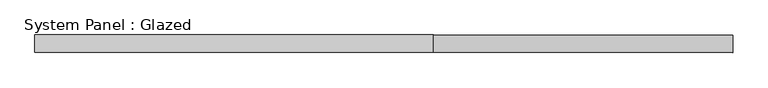
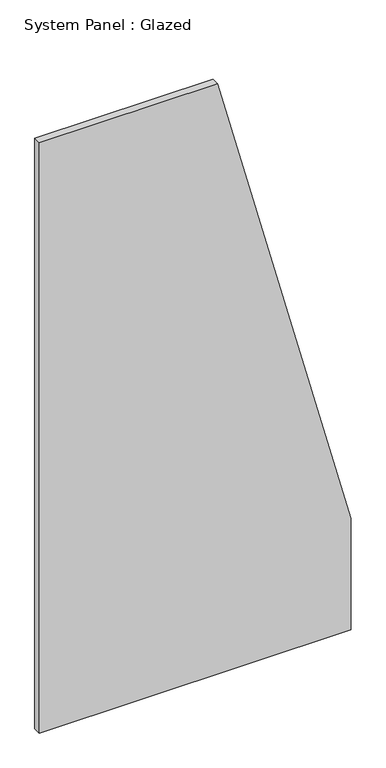
"""IFC4 building model written with IfcOpenShell, lengths in millimetres: plate geometry, System Panel : Glazed."""

from ifc_helpers import new_model, si_unit, frame, origin, place, context, project, spatial, polyline, outline, extrude, source, transform, mapped, element, save


def system_panel_glazed_5551a2ea(model_context):
    return source(origin(), model_context, "Body", "SweptSolid", [
        extrude(outline(polyline([(0.0, -500.0), (0.0, 500.0), (378.3783772, 500.0), (2000.0, 71.4285711), (2000.0, -500.0), (0.0, -500.0)])), frame((0.0, 24.5, 0.0), z_axis=(0.0, 1.0, 0.0), x_axis=(0.0, 0.0, 1.0)), (0.0, 0.0, 1.0), 25.0),
    ])


if __name__ == "__main__":
    model = new_model("IFC4")
    model_context = context("Model", 3, world=origin())
    ifc_project = project(units=[si_unit("LENGTHUNIT", "METRE", prefix="MILLI")], contexts=[model_context])
    site = spatial("IfcSite", under=ifc_project)
    building = spatial("IfcBuilding", under=site)
    placement = place(None, origin())
    system_panel_glazed_shape = system_panel_glazed_5551a2ea(model_context)
    element("IfcPlate", 1, ObjectType="System Panel : Glazed", at=placement, inside=building, context=model_context, shape_type="MappedRepresentation", body=[
        mapped(system_panel_glazed_shape, transform((0.0, 0.0, 0.0), x_axis=(1.0, 0.0, 0.0), y_axis=(0.0, 1.0, 0.0), z_axis=(0.0, 0.0, 1.0))),
    ])
    save(model, "model.ifc")
